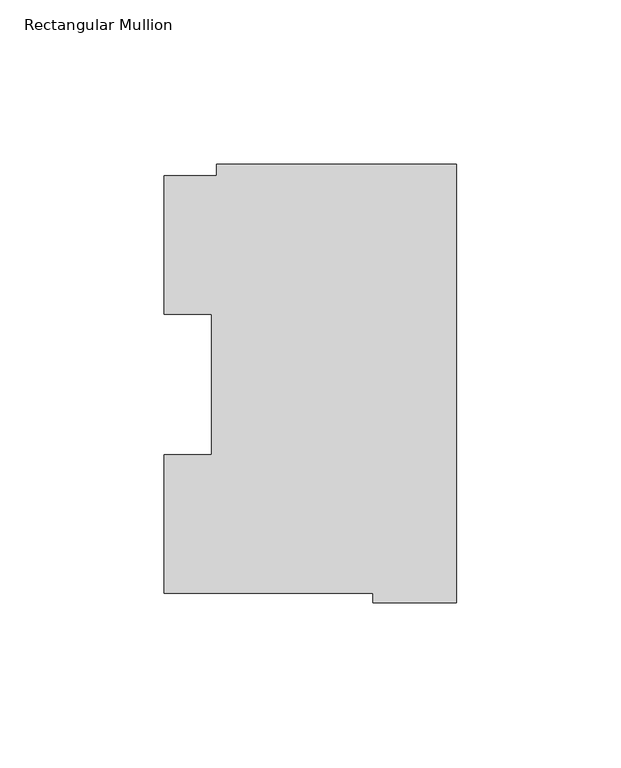
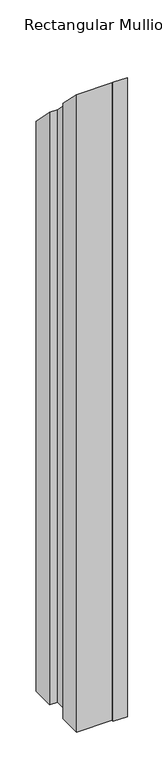
"""IFC4 building model written with IfcOpenShell, lengths in millimetres: member geometry, Rectangular Mullion."""

from ifc_helpers import new_model, si_unit, origin, place, context, project, spatial, faceted_brep, source, transform, mapped, element, save


def rectangular_mullion_350af540(model_context):
    return source(origin(), model_context, "Body", "Brep", [
        faceted_brep([(-88.8772701, 127.006348, -1206.50635), (-73.025, 127.006348, -1206.50635), (-73.025, 130.4246837, -1206.50635), (0.0, 130.4246837, -1206.50635), (0.0, -2.939538, -1206.50635), (-25.3772701, -2.939538, -1206.50635), (-25.3772701, 0.0063465, -1206.50635), (-88.8772701, 0.0063465, -1206.50635), (-88.8772701, 42.0814491, -1206.50635), (-74.4684922, 42.0814491, -1206.50635), (-74.4684922, 84.93125, -1206.50635), (-88.8772701, 84.93125, -1206.50635), (-88.8772701, 84.93125, -84.93125), (-88.8772701, 127.006348, -127.006348), (-74.4684922, 84.93125, -84.93125), (-74.4684922, 42.0814491, -42.0814491), (-88.8772701, 42.0814491, -42.0814491), (-88.8772701, 0.0063465, -0.0063465), (-25.3772701, 0.0063465, -0.0063465), (-25.3772701, -2.939538, 2.939538), (0.0, -2.939538, 2.939538), (0.0, 130.4246837, -130.4246837), (-73.025, 127.006348, -127.006348), (-73.025, 130.4246837, -130.4246837)], [[[0, 1, 2, 3, 4, 5, 6, 7, 8, 9, 10, 11]], [[12, 13, 0, 11]], [[14, 12, 11, 10]], [[15, 14, 10, 9]], [[16, 15, 9, 8]], [[17, 16, 8, 7]], [[18, 17, 7, 6]], [[19, 18, 6, 5]], [[20, 19, 5, 4]], [[21, 20, 4, 3]], [[13, 22, 1, 0]], [[13, 12, 14, 15, 16, 17, 18, 19, 20, 21, 23, 22]], [[23, 21, 3, 2]], [[22, 23, 2, 1]]]),
    ])


if __name__ == "__main__":
    model = new_model("IFC4")
    model_context = context("Model", 3, world=origin())
    ifc_project = project(units=[si_unit("LENGTHUNIT", "METRE", prefix="MILLI")], contexts=[model_context])
    site = spatial("IfcSite", under=ifc_project)
    building = spatial("IfcBuilding", under=site)
    placement = place(None, origin())
    rectangular_mullion_shape = rectangular_mullion_350af540(model_context)
    element("IfcMember", 1, ObjectType="Rectangular Mullion", at=placement, inside=building, context=model_context, shape_type="MappedRepresentation", body=[
        mapped(rectangular_mullion_shape, transform((0.0, 0.0, 0.0), x_axis=(1.0, 0.0, 0.0), y_axis=(0.0, 1.0, 0.0), z_axis=(0.0, 0.0, 1.0))),
    ])
    save(model, "model.ifc")
